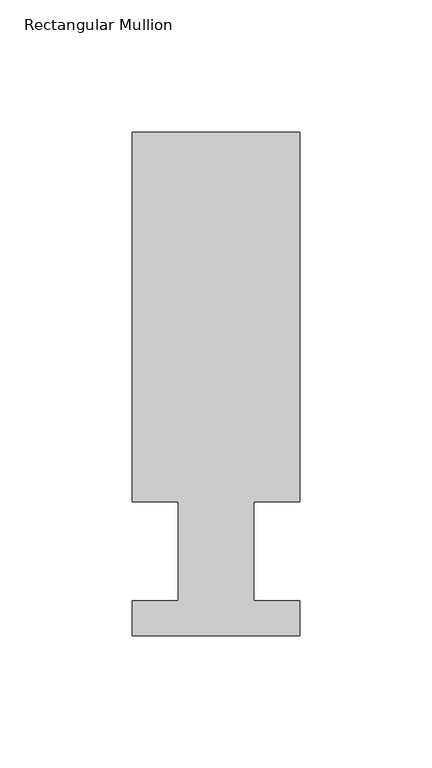
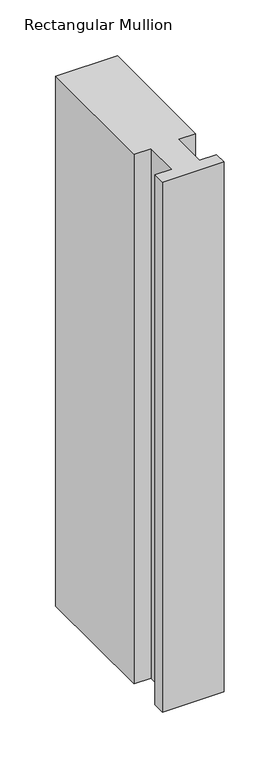
"""IFC4 building model written with IfcOpenShell, lengths in millimetres: member geometry, Rectangular Mullion."""

from ifc_helpers import new_model, si_unit, frame, origin, place, context, project, spatial, polyline, outline, extrude, source, transform, mapped, element, save


def rectangular_mullion_ba44026b(model_context):
    return source(origin(), model_context, "Body", "SweptSolid", [
        extrude(outline(polyline([(-63.4999996, 190.7881313), (9e-07, 190.7881313), (9e-07, 50.8087294), (-17.4624995, 50.8087294), (-17.4624995, 13.3945312), (8e-07, 13.3945312), (8e-07, 0.2119312), (-63.4999992, 0.2119312), (-63.4999992, 13.3945312), (-46.0247992, 13.3945312), (-46.0247992, 50.8087294), (-63.4999996, 50.8087294), (-63.4999996, 190.7881313)])), frame((0.0, 0.0, -577.85), z_axis=(0.0, 0.0, 1.0), x_axis=(1.0, 0.0, 0.0)), (0.0, 0.0, 1.0), 577.85),
    ])


if __name__ == "__main__":
    model = new_model("IFC4")
    model_context = context("Model", 3, world=origin())
    ifc_project = project(units=[si_unit("LENGTHUNIT", "METRE", prefix="MILLI")], contexts=[model_context])
    site = spatial("IfcSite", under=ifc_project)
    building = spatial("IfcBuilding", under=site)
    placement = place(None, origin())
    rectangular_mullion_shape = rectangular_mullion_ba44026b(model_context)
    element("IfcMember", 1, ObjectType="Rectangular Mullion", at=placement, inside=building, context=model_context, shape_type="MappedRepresentation", body=[
        mapped(rectangular_mullion_shape, transform((0.0, 0.0, 0.0), x_axis=(1.0, 0.0, 0.0), y_axis=(0.0, 1.0, 0.0), z_axis=(0.0, 0.0, 1.0))),
    ])
    save(model, "model.ifc")
